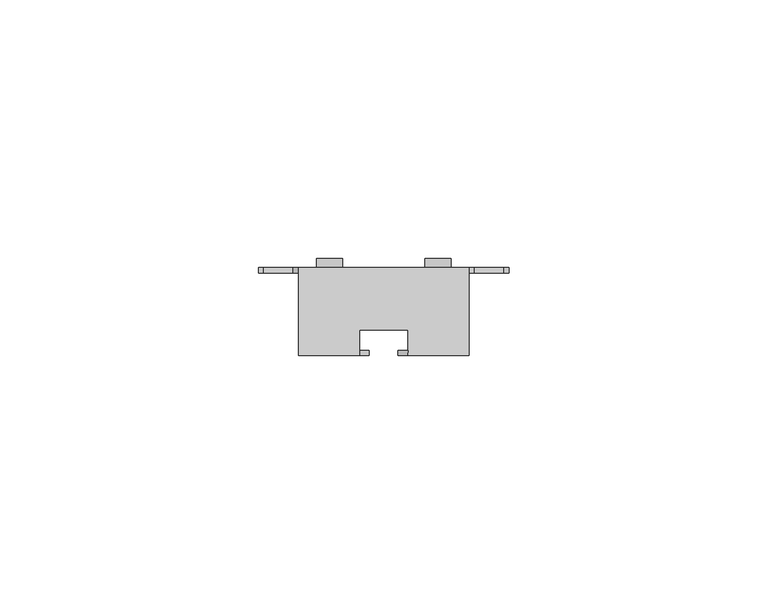
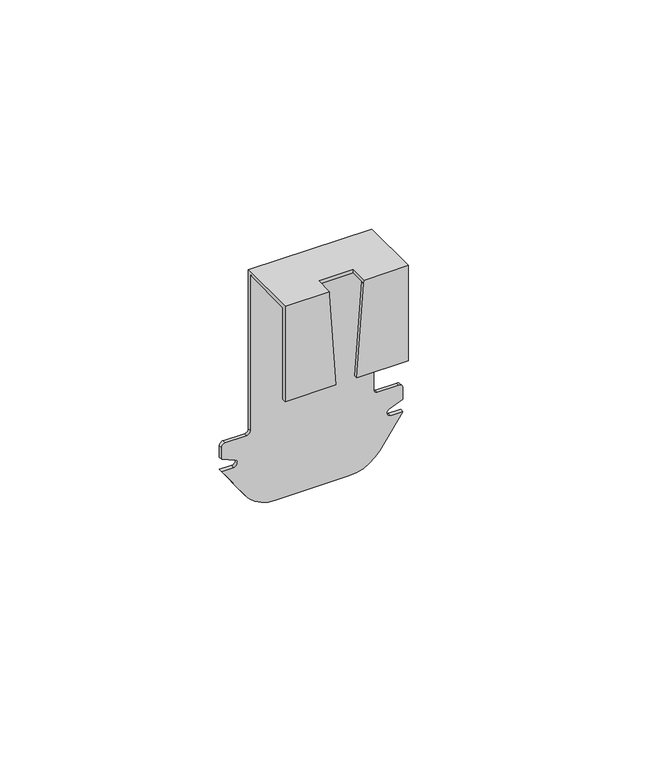
"""IFC4 building model written with IfcOpenShell, lengths in millimetres: proxy geometry."""

from ifc_helpers import new_model, si_unit, point, frame, frame_2d, origin, place, context, project, spatial, polyline, circle_curve, trimmed, segment, composite_curve, outline, extrude, source, transform, mapped, element, save
from ifc_brep_helpers import plane_surface, cylinder_surface, revolved_surface, advanced_brep


def generic_models_48314686(model_context):
    return source(origin(), model_context, "Body", "SolidModel", [
        advanced_brep(
        [(-18.0743697, -1.0, 4.2993784), (-9.858354, -1.0, 0.0), (9.858354, -1.0, 0.0), (18.0743697, -1.0, 4.2993784), (24.25, -1.0, 13.2), (21.0, -1.0, 13.2), (20.5773817, -1.0, 15.1063078), (24.25, -1.0, 16.7), (24.25, -1.0, 20.0), (23.25, -1.0, 21.0), (17.5, -1.0, 21.0), (16.5, -1.0, 22.0), (16.5, -1.0, 66.0), (-16.5, -1.0, 66.0), (-16.5, -1.0, 22.0), (-17.5, -1.0, 21.0), (-23.25, -1.0, 21.0), (-24.25, -1.0, 20.0), (-24.25, -1.0, 16.7), (-20.5773817, -1.0, 15.1063078), (-21.0, -1.0, 13.2), (-24.25, -1.0, 13.2), (0.0, -1.0, 48.7), (0.0, -1.0, 44.7), (0.0, -1.0, 32.7), (0.0, -1.0, 28.7), (-18.0743697, 0.0, 4.2993784), (-24.25, 0.0, 13.2), (-21.0, 0.0, 13.2), (-20.5773817, 0.0, 15.1063078), (-24.25, 0.0, 16.7), (-24.25, 0.0, 20.0), (-23.25, 0.0, 21.0), (-17.5, 0.0, 21.0), (-16.5, 0.0, 22.0), (-16.5, 0.0, 67.0), (16.5, 0.0, 67.0), (16.5, 0.0, 22.0), (17.5, 0.0, 21.0), (23.25, 0.0, 21.0), (24.25, 0.0, 20.0), (24.25, 0.0, 16.7), (20.5773817, 0.0, 15.1063078), (21.0, 0.0, 13.2), (24.25, 0.0, 13.2), (18.0743697, 0.0, 4.2993784), (9.858354, 0.0, 0.0), (-9.858354, 0.0, 0.0), (0.0, 0.0, 44.7), (0.0, 0.0, 48.7), (0.0, 0.0, 28.7), (0.0, 0.0, 32.7), (16.5, -17.0, 67.0), (16.5, -17.0, 39.9928121), (16.5, -16.0, 39.9928121), (16.5, -16.0, 66.0), (-16.5, -16.0, 66.0), (-16.5, -16.0, 39.9928121), (-16.5, -17.0, 39.9928121), (-16.5, -17.0, 67.0), (-4.6514827, -12.026618, 67.0), (4.6514819, -12.026618, 67.0), (4.6514819, -17.0, 67.0), (-4.6514827, -17.0, 67.0), (4.6514819, -12.026618, 66.0), (-4.6514827, -12.026618, 66.0), (-4.6514827, -16.0, 66.0), (4.6514819, -16.0, 66.0), (-4.6514827, -17.0, 66.0), (-2.8568063, -17.0, 39.9928121), (4.579598, -17.0, 66.0), (2.7101011, -17.0, 39.9928121), (2.7101011, -16.0, 39.9928121), (-2.8568063, -16.0, 39.9928121)],
        [
            (0, 1, circle_curve(frame((-9.858354, -1.0, 10.0), z_axis=(0.0, -1.0, 0.0), x_axis=(0.0, 0.0, -1.0)), 10.0)),
            (1, 2),
            (2, 3, circle_curve(frame((9.858354, -1.0, 10.0), z_axis=(0.0, -1.0, 0.0), x_axis=(0.8216015690288269, 0.0, -0.5700621560578899)), 10.0)),
            (3, 4),
            (4, 5),
            (5, 6, circle_curve(frame((21.0, -1.0, 14.2), z_axis=(0.0, 1.0, 0.0), x_axis=(-0.4226182617406444, 0.0, 0.9063077870366757)), 1.0)),
            (6, 7),
            (7, 8),
            (8, 9, circle_curve(frame((23.25, -1.0, 20.0), z_axis=(0.0, -1.0, 0.0), x_axis=(0.0, 0.0, 1.0)), 1.0)),
            (9, 10),
            (10, 11, circle_curve(frame((17.5, -1.0, 22.0), z_axis=(0.0, 1.0, 0.0), x_axis=(0.0, 0.0, -1.0)), 1.0)),
            (11, 12),
            (12, 13),
            (13, 14),
            (14, 15, circle_curve(frame((-17.5, -1.0, 22.0), z_axis=(0.0, 1.0, 0.0), x_axis=(0.0, 0.0, -1.0)), 1.0)),
            (15, 16),
            (16, 17, circle_curve(frame((-23.25, -1.0, 20.0), z_axis=(0.0, -1.0, 0.0), x_axis=(0.0, 0.0, 1.0)), 1.0)),
            (17, 18),
            (18, 19),
            (19, 20, circle_curve(frame((-21.0, -1.0, 14.2), z_axis=(0.0, 1.0, 0.0), x_axis=(0.4226182617406406, 0.0, 0.9063077870366775)), 1.0)),
            (20, 21),
            (21, 0),
            (22, 23, circle_curve(frame((0.0, -1.0, 46.7), z_axis=(0.0, 1.0, 0.0), x_axis=(0.0, 0.0, 1.0)), 2.0)),
            (23, 22, circle_curve(frame((0.0, -1.0, 46.7), z_axis=(0.0, 1.0, 0.0), x_axis=(0.0, 0.0, 1.0)), 2.0)),
            (24, 25, circle_curve(frame((0.0, -1.0, 30.7), z_axis=(0.0, 1.0, 0.0), x_axis=(0.0, 0.0, 1.0)), 2.0)),
            (25, 24, circle_curve(frame((0.0, -1.0, 30.7), z_axis=(0.0, 1.0, 0.0), x_axis=(0.0, 0.0, 1.0)), 2.0)),
            (26, 27),
            (27, 28),
            (28, 29, circle_curve(frame((-21.0, 0.0, 14.2), z_axis=(0.0, -1.0, 0.0), x_axis=(0.4226182617406406, 0.0, 0.9063077870366775)), 1.0)),
            (29, 30),
            (30, 31),
            (31, 32, circle_curve(frame((-23.25, 0.0, 20.0), z_axis=(0.0, 1.0, 0.0), x_axis=(0.0, 0.0, 1.0)), 1.0)),
            (32, 33),
            (33, 34, circle_curve(frame((-17.5, 0.0, 22.0), z_axis=(0.0, -1.0, 0.0), x_axis=(0.0, 0.0, -1.0)), 1.0)),
            (34, 35),
            (35, 36),
            (36, 37),
            (37, 38, circle_curve(frame((17.5, 0.0, 22.0), z_axis=(0.0, -1.0, 0.0), x_axis=(0.0, 0.0, -1.0)), 1.0)),
            (38, 39),
            (39, 40, circle_curve(frame((23.25, 0.0, 20.0), z_axis=(0.0, 1.0, 0.0), x_axis=(0.0, 0.0, 1.0)), 1.0)),
            (40, 41),
            (41, 42),
            (42, 43, circle_curve(frame((21.0, 0.0, 14.2), z_axis=(0.0, -1.0, 0.0), x_axis=(-0.4226182617406444, 0.0, 0.9063077870366757)), 1.0)),
            (43, 44),
            (44, 45),
            (45, 46, circle_curve(frame((9.858354, 0.0, 10.0), z_axis=(0.0, 1.0, 0.0), x_axis=(0.8216015690288269, 0.0, -0.5700621560578899)), 10.0)),
            (46, 47),
            (47, 26, circle_curve(frame((-9.858354, 0.0, 10.0), z_axis=(0.0, 1.0, 0.0), x_axis=(0.0, 0.0, -1.0)), 10.0)),
            (48, 49, circle_curve(frame((0.0, 0.0, 46.7), z_axis=(0.0, -1.0, 0.0), x_axis=(0.0, 0.0, 1.0)), 2.0)),
            (49, 48, circle_curve(frame((0.0, 0.0, 46.7), z_axis=(0.0, -1.0, 0.0), x_axis=(0.0, 0.0, 1.0)), 2.0)),
            (50, 51, circle_curve(frame((0.0, 0.0, 30.7), z_axis=(0.0, -1.0, 0.0), x_axis=(0.0, 0.0, 1.0)), 2.0)),
            (51, 50, circle_curve(frame((0.0, 0.0, 30.7), z_axis=(0.0, -1.0, 0.0), x_axis=(0.0, 0.0, 1.0)), 2.0)),
            (0, 26),
            (47, 1),
            (46, 2),
            (45, 3),
            (44, 4),
            (43, 5),
            (42, 6),
            (41, 7),
            (40, 8),
            (39, 9),
            (38, 10),
            (37, 11),
            (36, 52),
            (52, 53),
            (53, 54),
            (54, 55),
            (55, 12),
            (13, 56),
            (56, 57),
            (57, 58),
            (58, 59),
            (59, 35),
            (34, 14),
            (33, 15),
            (32, 16),
            (31, 17),
            (30, 18),
            (29, 19),
            (28, 20),
            (27, 21),
            (48, 23),
            (22, 49),
            (50, 25),
            (24, 51),
            (60, 61),
            (61, 62),
            (62, 52),
            (59, 63),
            (63, 60),
            (64, 65),
            (65, 66),
            (66, 56),
            (55, 67),
            (67, 64),
            (63, 68),
            (68, 66),
            (65, 60),
            (58, 69),
            (69, 68),
            (70, 71),
            (71, 53),
            (62, 70),
            (61, 64),
            (67, 70),
            (54, 72),
            (72, 67),
            (66, 73),
            (73, 57),
            (69, 73),
            (71, 72),
        ],
        [
            plane_surface(frame((-9.858354, -1.0, 0.0), z_axis=(0.0, -1.0, 0.0), x_axis=(1.0, 0.0, 0.0))),
            plane_surface(frame((-9.858354, 0.0, 0.0), z_axis=(0.0, 1.0, 0.0), x_axis=(-1.0, 0.0, 0.0))),
            cylinder_surface(frame((-9.858354, 0.0, 10.0), z_axis=(0.0, -1.0, 0.0), x_axis=(0.0, 0.0, -1.0)), 10.0),
            plane_surface(frame((-9.858354, -1.0, 0.0), z_axis=(0.0, 0.0, -1.0), x_axis=(0.0, 1.0, 0.0))),
            cylinder_surface(frame((9.858354, 0.0, 10.0), z_axis=(0.0, -1.0000000000000002, 0.0), x_axis=(0.8216015690288269, 0.0, -0.5700621560578899)), 10.0),
            plane_surface(frame((18.0743697, -1.0, 4.2993784), z_axis=(0.8216015690288294, 0.0, -0.5700621560578861), x_axis=(0.0, 1.0, 0.0))),
            plane_surface(frame((24.25, -1.0, 13.2), z_axis=(0.0, 0.0, 1.0), x_axis=(0.0, 1.0, 0.0))),
            revolved_surface(polyline([(20.577381738259355, 0.0, 15.106307787036675), (20.577381738259355, -1.0, 15.106307787036675)]), (21.0, 0.0, 14.2), (0.0, 1.0, 0.0)),
            plane_surface(frame((20.5773817, -1.0, 15.1063078), z_axis=(0.39807514123356075, 0.0, -0.917352812134939), x_axis=(0.0, 1.0, 0.0))),
            plane_surface(frame((24.25, -1.0, 16.7), z_axis=(1.0, 0.0, 0.0), x_axis=(0.0, 1.0, 0.0))),
            cylinder_surface(frame((23.25, 0.0, 20.0), z_axis=(0.0, -1.0, 0.0), x_axis=(0.0, 0.0, 1.0)), 1.0),
            plane_surface(frame((23.25, -1.0, 21.0), z_axis=(0.0, 0.0, 1.0), x_axis=(0.0, 1.0, 0.0))),
            revolved_surface(polyline([(17.5, 0.0, 21.0), (17.5, -1.0, 21.0)]), (17.5, 0.0, 22.0), (0.0, 1.0, 0.0)),
            plane_surface(frame((16.5, -1.0, 22.0), z_axis=(1.0, 0.0, 0.0), x_axis=(0.0, 1.0, 0.0))),
            plane_surface(frame((-16.5, -1.0, 66.0), z_axis=(-1.0, 0.0, 0.0), x_axis=(0.0, 1.0, 0.0))),
            revolved_surface(polyline([(-17.5, 0.0, 21.0), (-17.5, -1.0, 21.0)]), (-17.5, 0.0, 22.0), (0.0, 1.0, 0.0)),
            plane_surface(frame((-17.5, -1.0, 21.0), z_axis=(0.0, 0.0, 1.0), x_axis=(0.0, 1.0, 0.0))),
            cylinder_surface(frame((-23.25, 0.0, 20.0), z_axis=(0.0, -1.0, 0.0), x_axis=(0.0, 0.0, 1.0)), 1.0),
            plane_surface(frame((-24.25, -1.0, 20.0), z_axis=(-1.0, 0.0, 0.0), x_axis=(0.0, 1.0, 0.0))),
            plane_surface(frame((-24.25, -1.0, 16.7), z_axis=(-0.39807514123355725, 0.0, -0.9173528121349405), x_axis=(0.0, 1.0, 0.0))),
            revolved_surface(polyline([(-20.57738173825936, 0.0, 15.106307787036677), (-20.57738173825936, -1.0, 15.106307787036677)]), (-21.0, 0.0, 14.2), (0.0, 1.0, 0.0)),
            plane_surface(frame((-21.0, -1.0, 13.2), z_axis=(0.0, 0.0, 1.0), x_axis=(0.0, 1.0, 0.0))),
            plane_surface(frame((-24.25, -1.0, 13.2), z_axis=(-0.8216015690288158, 0.0, -0.5700621560579057), x_axis=(0.0, 1.0, 0.0))),
            revolved_surface(polyline([(0.0, -1.0, 48.7), (0.0, 0.0, 48.7)]), (0.0, 10.4825554, 46.7), (0.0, -1.0, 0.0)),
            revolved_surface(polyline([(0.0, -1.0, 32.7), (0.0, 0.0, 32.7)]), (0.0, 0.0, 30.7), (0.0, -1.0, 0.0)),
            plane_surface(frame((-3.6520871, -12.026618, 67.0), z_axis=(0.0, 0.0, 1.0), x_axis=(1.0, 0.0, 0.0))),
            plane_surface(frame((-3.6520871, -12.026618, 66.0), z_axis=(0.0, 0.0, -1.0), x_axis=(-1.0, 0.0, 0.0))),
            plane_surface(frame((-4.6514827, -17.0, 67.0), z_axis=(1.0, 0.0, 0.0), x_axis=(0.0, 0.0, -1.0))),
            plane_surface(frame((-16.5, -17.0, 67.0), z_axis=(0.0, -1.0, 0.0), x_axis=(0.0, 0.0, -1.0))),
            plane_surface(frame((4.6514819, -12.026618, 67.0), z_axis=(-1.0, 0.0, 0.0), x_axis=(0.0, 0.0, -1.0))),
            plane_surface(frame((-4.6514827, -12.026618, 67.0), z_axis=(0.0, -1.0, 0.0), x_axis=(0.0, 0.0, -1.0))),
            plane_surface(frame((-2.9397459, -16.0, 41.1706706), z_axis=(0.0, 1.0, 0.0), x_axis=(0.07024165352057075, 0.0, -0.9975300046167515))),
            plane_surface(frame((-4.6881175, -16.0, 66.0), z_axis=(0.9975300046167515, 0.0, 0.07024165352057075), x_axis=(0.0, -1.0, 0.0))),
            plane_surface(frame((-2.8568063, -16.0, 39.9928121), z_axis=(0.0, 0.0, -1.0), x_axis=(0.0, -1.0, 0.0))),
            plane_surface(frame((16.5, -16.0, 39.9928121), z_axis=(0.0, 0.0, -1.0), x_axis=(0.0, -1.0, 0.0))),
            plane_surface(frame((2.7101011, -16.0, 39.9928121), z_axis=(-0.9974263255976004, 0.0, 0.07169884939711163), x_axis=(0.0, -1.0, 0.0))),
        ],
        [
            (0, [[1, 2, 3, 4, 5, 6, 7, 8, 9, 10, 11, 12, 13, 14, 15, 16, 17, 18, 19, 20, 21, 22], [23, 24], [25, 26]]),
            (1, [[27, 28, 29, 30, 31, 32, 33, 34, 35, 36, 37, 38, 39, 40, 41, 42, 43, 44, 45, 46, 47, 48], [49, 50], [51, 52]]),
            (2, [[-1, 53, -48, 54]]),
            (3, [[-2, -54, -47, 55]]),
            (4, [[-3, -55, -46, 56]]),
            (5, [[-4, -56, -45, 57]]),
            (6, [[-5, -57, -44, 58]]),
            (7, [[-6, -58, -43, 59]]),
            (8, [[-7, -59, -42, 60]]),
            (9, [[-8, -60, -41, 61]]),
            (10, [[-9, -61, -40, 62]]),
            (11, [[-10, -62, -39, 63]]),
            (12, [[-11, -63, -38, 64]]),
            (13, [[-12, -64, -37, 65, 66, 67, 68, 69]]),
            (14, [[-14, 70, 71, 72, 73, 74, -35, 75]]),
            (15, [[-15, -75, -34, 76]]),
            (16, [[-16, -76, -33, 77]]),
            (17, [[-17, -77, -32, 78]]),
            (18, [[-18, -78, -31, 79]]),
            (19, [[-19, -79, -30, 80]]),
            (20, [[-20, -80, -29, 81]]),
            (21, [[-21, -81, -28, 82]]),
            (22, [[-22, -82, -27, -53]]),
            (23, [[83, -23, 84, -49]]),
            (23, [[-83, -50, -84, -24]]),
            (24, [[85, -25, 86, -51]]),
            (24, [[-85, -52, -86, -26]]),
            (25, [[87, 88, 89, -65, -36, -74, 90, 91]]),
            (26, [[92, 93, 94, -70, -13, -69, 95, 96]]),
            (27, [[-91, 97, 98, -93, 99]]),
            (28, [[-90, -73, 100, 101, -97]]),
            (28, [[102, 103, -66, -89, 104]]),
            (29, [[-88, 105, -96, 106, -104]]),
            (30, [[-87, -99, -92, -105]]),
            (31, [[-68, 107, 108, -95]]),
            (31, [[109, 110, -71, -94]]),
            (32, [[-101, 111, -109, -98]]),
            (33, [[-100, -72, -110, -111]]),
            (34, [[-103, 112, -107, -67]]),
            (35, [[-102, -106, -108, -112]]),
        ],
    ),
        extrude(outline(composite_curve([segment(polyline([(11.5, -8.0), (24.5, -8.0)]), True, "CONTINUOUS"), segment(trimmed(circle_curve(frame_2d((24.5, -10.5)), 2.5), [point((24.5, -8.0))], [point((24.5, -13.0))], False, "CARTESIAN"), True, "CONTINUOUS"), segment(polyline([(24.5, -13.0), (11.5, -13.0)]), True, "CONTINUOUS"), segment(trimmed(circle_curve(frame_2d((11.5, -10.5)), 2.5), [point((11.5, -13.0))], [point((11.5, -8.0))], False, "CARTESIAN"), True, "CONTINUOUS")], self_intersect=False)), frame((0.0, 0.0, 0.0), z_axis=(0.0, 1.0, 0.0), x_axis=(0.0, 0.0, 1.0)), (0.0, 0.0, 1.0), 1.8),
        extrude(outline(composite_curve([segment(polyline([(24.5, 8.0), (11.5, 8.0)]), True, "CONTINUOUS"), segment(trimmed(circle_curve(frame_2d((11.5, 10.5)), 2.5), [point((11.5, 8.0))], [point((11.5, 13.0))], False, "CARTESIAN"), True, "CONTINUOUS"), segment(polyline([(11.5, 13.0), (24.5, 13.0)]), True, "CONTINUOUS"), segment(trimmed(circle_curve(frame_2d((24.5, 10.5)), 2.5), [point((24.5, 13.0))], [point((24.5, 8.0))], False, "CARTESIAN"), True, "CONTINUOUS")], self_intersect=False)), frame((0.0, 0.0, 0.0), z_axis=(0.0, 1.0, 0.0), x_axis=(0.0, 0.0, 1.0)), (0.0, 0.0, 1.0), 1.8),
    ])


if __name__ == "__main__":
    model = new_model("IFC4")
    model_context = context("Model", 3, world=origin())
    ifc_project = project(units=[si_unit("LENGTHUNIT", "METRE", prefix="MILLI")], contexts=[model_context])
    site = spatial("IfcSite", under=ifc_project)
    building = spatial("IfcBuilding", under=site)
    placement = place(None, origin())
    generic_models_shape = generic_models_48314686(model_context)
    element("IfcBuildingElementProxy", 1, Name="Generic Models", at=placement, inside=building, context=model_context, shape_type="MappedRepresentation", body=[
        mapped(generic_models_shape, transform((0.0, 0.0, 0.0), x_axis=(1.0, 0.0, 0.0), y_axis=(0.0, 1.0, 0.0), z_axis=(0.0, 0.0, 1.0))),
    ])
    save(model, "model.ifc")
